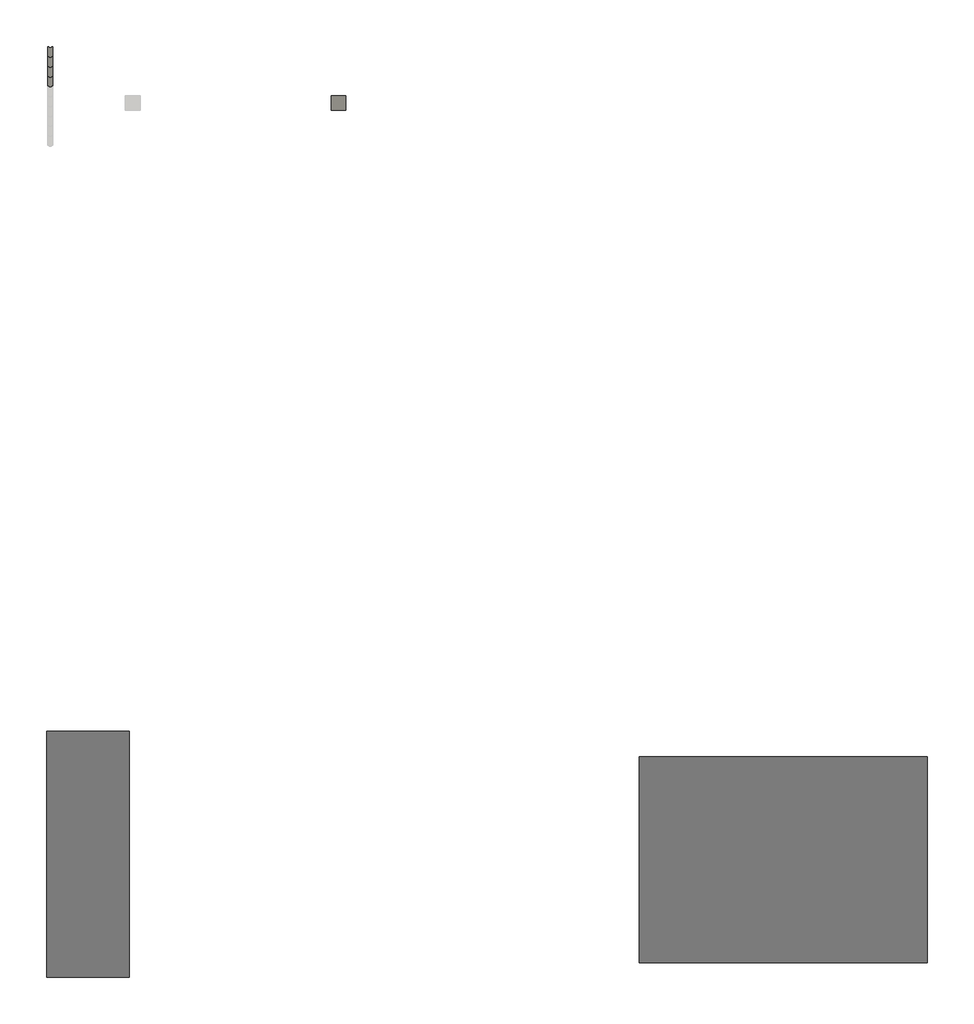
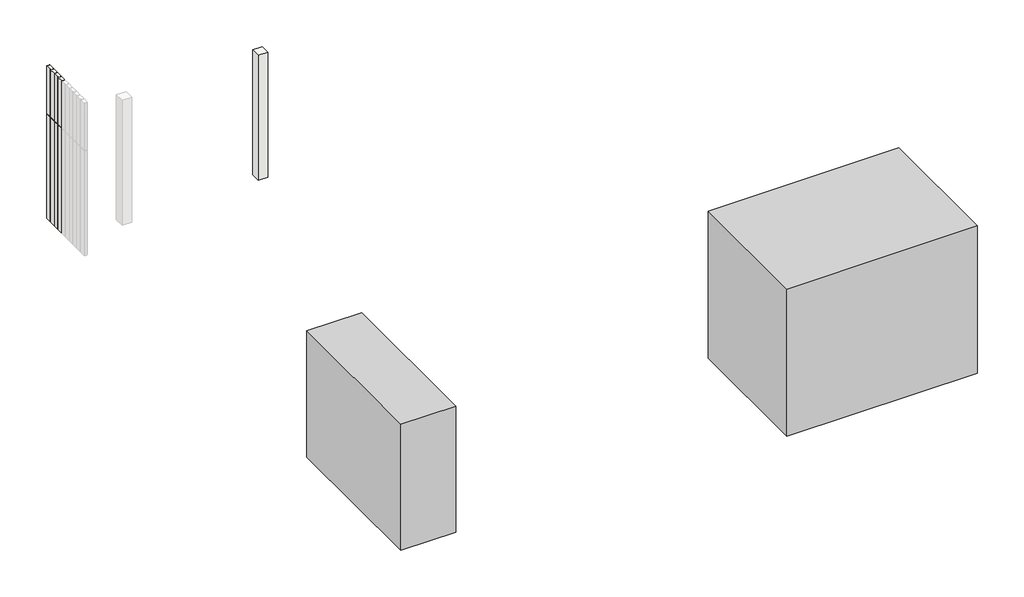
# One storey, part 3 of 3: 5 slabs, 2 proxies.
"""IFC4 building model written with IfcOpenShell, lengths in millimetres."""

from ifc_helpers import new_model, si_unit, frame, origin, place, context, project, spatial, polyline, outline, extrude, faceted_brep, element, save

model = new_model("IFC4")

# Units and contexts
model_context = context("Model", 3, world=origin())
ifc_project = project(units=[si_unit("LENGTHUNIT", "METRE", prefix="MILLI")], contexts=[model_context])

# Site, building, storey
site = spatial("IfcSite", under=ifc_project)
building = spatial("IfcBuilding", under=site)
storey = spatial("IfcBuildingStorey", under=building, Elevation=-3000.0)

# Proxies
placement = place(None, origin())
element("IfcBuildingElementProxy", 1, Name="Mass", at=placement, inside=storey, context=model_context, shape_type="SweptSolid", body=[
    extrude(outline(polyline([(9709.5811125, 46973.6742699), (11118.9553084, 46973.6742699), (11118.9553084, 42786.0133804), (9709.5811125, 42786.0133804), (9709.5811125, 46973.6742699)])), frame((0.0, 0.0, -3430.3316393), z_axis=(0.0, 0.0, 1.0), x_axis=(1.0, 0.0, 0.0)), (0.0, 0.0, 1.0), 3430.3316393),
])
element("IfcBuildingElementProxy", 2, Name="Mass", at=placement, inside=storey, context=model_context, shape_type="SweptSolid", body=[
    extrude(outline(polyline([(24685.7828295, 43036.709169), (19785.3624101, 43036.709169), (19785.3624101, 46536.709169), (24685.7828295, 46536.709169), (24685.7828295, 43036.709169)])), frame((0.0, 0.0, -4000.0), z_axis=(0.0, 0.0, 1.0), x_axis=(1.0, 0.0, 0.0)), (0.0, 0.0, 1.0), 4000.0),
])

# Slabs
element("IfcSlab", 3, at=placement, inside=storey, context=model_context, shape_type="Brep", body=[
    faceted_brep([(9811.574392, 58450.1979602, 145.0), (9811.5748646, 58617.1979602, 145.0), (9796.5748646, 58617.1980027, 145.0), (9791.2158242, 58597.1980178, 145.0), (9751.9337919, 58597.198129, 145.0), (9746.5748646, 58617.1981442, 145.0), (9731.5748646, 58617.1981866, 145.0), (9731.574392, 58450.1981866, 145.0), (9747.574392, 58450.1981413, 145.0), (9753.0774933, 58432.1981258, 145.0), (9790.0711888, 58432.1980211, 145.0), (9795.574392, 58450.1980055, 145.0), (9795.574392, 58450.1980055, -1140.9159706), (9811.574392, 58450.1979602, -1140.9159706), (9790.0711888, 58432.1980211, -1142.0678249), (9791.3187682, 58436.2786281, -1135.0), (9793.0839214, 58442.0521258, -1145.0), (9794.6896036, 58447.3040224, -1135.9034405), (9753.0774933, 58432.1981258, -1142.0678249), (9747.574392, 58450.1981413, -1140.9159706), (9748.459164, 58447.3041532, -1135.9034405), (9750.0648164, 58442.0522476, -1145.0), (9751.829937, 58436.2787399, -1135.0), (9731.574392, 58450.1981866, -1140.9159706), (9731.5748646, 58617.1981866, -1136.2177826), (9731.5748503, 58612.1277711, -1145.0), (9731.5748339, 58606.3542684, -1135.0), (9731.5748176, 58600.5807657, -1145.0), (9731.5748012, 58594.807263, -1135.0), (9731.5747849, 58589.0337603, -1145.0), (9731.57477, 58583.7818592, -1135.9034405), (9731.5747552, 58578.5299581, -1145.0), (9731.5747388, 58572.7564554, -1135.0), (9731.5747225, 58566.9829527, -1145.0), (9731.5747062, 58561.20945, -1135.0), (9731.5746898, 58555.4359473, -1145.0), (9731.5746735, 58549.6624447, -1135.0), (9731.5746571, 58543.888942, -1145.0), (9731.5746408, 58538.1154393, -1135.0), (9731.5746245, 58532.3419366, -1145.0), (9731.5746081, 58526.5684339, -1135.0), (9731.5745918, 58520.7949312, -1145.0), (9731.5745769, 58515.5430301, -1135.9034405), (9731.5745621, 58510.291129, -1145.0), (9731.5745457, 58504.5176263, -1135.0), (9731.5745294, 58498.7441236, -1145.0), (9731.574513, 58492.9706209, -1135.0), (9731.5744967, 58487.1971182, -1145.0), (9731.5744804, 58481.4236156, -1135.0), (9731.574464, 58475.6501129, -1145.0), (9731.5744477, 58469.8766102, -1135.0), (9731.5744313, 58464.1031075, -1145.0), (9731.574415, 58458.3296048, -1135.0), (9731.5743987, 58452.5561021, -1145.0), (9746.5748646, 58617.1981442, -1136.2177826), (9751.9337919, 58597.198129, -1139.1412012), (9751.0274421, 58600.5807106, -1145.0), (9749.4804531, 58606.3542177, -1135.0), (9747.933464, 58612.1277248, -1145.0), (9791.2158242, 58597.1980178, -1139.1412012), (9796.5748646, 58617.1980027, -1136.2177826), (9795.2162365, 58612.127591, -1145.0), (9793.6692148, 58606.3540926, -1135.0), (9792.1221931, 58600.5805943, -1145.0), (9811.5748646, 58617.1979602, -1136.2177826), (9811.5743987, 58452.5558757, -1145.0), (9811.574415, 58458.3293784, -1135.0), (9811.5744313, 58464.1028811, -1145.0), (9811.5744477, 58469.8763838, -1135.0), (9811.574464, 58475.6498865, -1145.0), (9811.5744804, 58481.4233892, -1135.0), (9811.5744967, 58487.1968918, -1145.0), (9811.574513, 58492.9703945, -1135.0), (9811.5745294, 58498.7438972, -1145.0), (9811.5745457, 58504.5173999, -1135.0), (9811.5745621, 58510.2909026, -1145.0), (9811.5745769, 58515.5428037, -1135.9034405), (9811.5745918, 58520.7947048, -1145.0), (9811.5746081, 58526.5682075, -1135.0), (9811.5746245, 58532.3417102, -1145.0), (9811.5746408, 58538.1152129, -1135.0), (9811.5746571, 58543.8887156, -1145.0), (9811.5746735, 58549.6622183, -1135.0), (9811.5746898, 58555.4357209, -1145.0), (9811.5747062, 58561.2092236, -1135.0), (9811.5747225, 58566.9827263, -1145.0), (9811.5747388, 58572.756229, -1135.0), (9811.5747552, 58578.5297317, -1145.0), (9811.57477, 58583.7816328, -1135.9034405), (9811.5747849, 58589.0335339, -1145.0), (9811.5748012, 58594.8070366, -1135.0), (9811.5748176, 58600.5805393, -1145.0), (9811.5748339, 58606.354042, -1135.0), (9811.5748503, 58612.1275447, -1145.0)], [[[0, 1, 2, 3, 4, 5, 6, 7, 8, 9, 10, 11]], [[11, 12, 13, 0]], [[10, 14, 15, 16, 17, 12, 11]], [[9, 18, 14, 10]], [[8, 19, 20, 21, 22, 18, 9]], [[7, 23, 19, 8]], [[6, 24, 25, 26, 27, 28, 29, 30, 31, 32, 33, 34, 35, 36, 37, 38, 39, 40, 41, 42, 43, 44, 45, 46, 47, 48, 49, 50, 51, 52, 53, 23, 7]], [[5, 54, 24, 6]], [[4, 55, 56, 57, 58, 54, 5]], [[3, 59, 55, 4]], [[2, 60, 61, 62, 63, 59, 3]], [[1, 64, 60, 2]], [[0, 13, 65, 66, 67, 68, 69, 70, 71, 72, 73, 74, 75, 76, 77, 78, 79, 80, 81, 82, 83, 84, 85, 86, 87, 88, 89, 90, 91, 92, 93, 64, 1]], [[89, 88, 30, 29]], [[29, 28, 90, 89]], [[28, 27, 56, 55, 59, 63, 91, 90]], [[27, 26, 57, 56]], [[63, 62, 92, 91]], [[26, 25, 58, 57]], [[62, 61, 93, 92]], [[25, 24, 54, 58]], [[61, 60, 64, 93]], [[15, 14, 18, 22]], [[22, 21, 16, 15]], [[21, 20, 17, 16]], [[65, 13, 12, 17, 20, 19, 23, 53]], [[53, 52, 66, 65]], [[52, 51, 67, 66]], [[51, 50, 68, 67]], [[50, 49, 69, 68]], [[49, 48, 70, 69]], [[48, 47, 71, 70]], [[47, 46, 72, 71]], [[46, 45, 73, 72]], [[45, 44, 74, 73]], [[44, 43, 75, 74]], [[43, 42, 76, 75]], [[42, 41, 77, 76]], [[41, 40, 78, 77]], [[40, 39, 79, 78]], [[39, 38, 80, 79]], [[38, 37, 81, 80]], [[37, 36, 82, 81]], [[36, 35, 83, 82]], [[35, 34, 84, 83]], [[34, 33, 85, 84]], [[33, 32, 86, 85]], [[32, 31, 87, 86]], [[88, 87, 31, 30]]]),
    faceted_brep([(9811.574392, 58450.1979602, -4000.0), (9795.574392, 58450.1980055, -4000.0), (9790.0711888, 58432.1980211, -4000.0), (9753.0774933, 58432.1981258, -4000.0), (9747.574392, 58450.1981413, -4000.0), (9731.574392, 58450.1981866, -4000.0), (9731.5748646, 58617.1981866, -4000.0), (9746.5748646, 58617.1981442, -4000.0), (9751.9337919, 58597.198129, -4000.0), (9791.2158242, 58597.1980178, -4000.0), (9796.5748646, 58617.1980027, -4000.0), (9811.5748646, 58617.1979602, -4000.0), (9811.5748646, 58617.1979602, -1135.0), (9811.574392, 58450.1979602, -1135.0), (9796.5748646, 58617.1980027, -1135.0), (9791.2158242, 58597.1980178, -1135.0), (9751.9337919, 58597.198129, -1135.0), (9756.574808, 58597.1981159, -1135.0), (9756.574808, 58597.1981159, -1139.1412012), (9786.574808, 58597.198031, -1139.1412012), (9786.574808, 58597.198031, -1135.0), (9746.5748646, 58617.1981442, -1135.0), (9731.5748646, 58617.1981866, -1135.0), (9731.574392, 58450.1981866, -1135.0), (9747.574392, 58450.1981413, -1135.0), (9753.0774933, 58432.1981258, -1135.0), (9790.0711888, 58432.1980211, -1135.0), (9786.5743411, 58432.198031, -1135.0), (9786.5743411, 58432.198031, -1142.0678249), (9756.5743411, 58432.1981159, -1142.0678249), (9756.5743411, 58432.1981159, -1135.0), (9795.574392, 58450.1980055, -1135.0), (9786.5747849, 58589.0336046, -1145.0), (9756.5747849, 58589.0336896, -1145.0), (9756.57477, 58583.7817885, -1135.9034405), (9786.57477, 58583.7817036, -1135.9034405), (9786.5748012, 58594.8071073, -1135.0), (9756.5748012, 58594.8071922, -1135.0), (9756.5743526, 58436.2787265, -1135.0), (9786.5743526, 58436.2786416, -1135.0), (9786.5743689, 58442.0521443, -1145.0), (9756.5743689, 58442.0522292, -1145.0), (9786.5743838, 58447.3040453, -1135.9034405), (9756.5743838, 58447.3041302, -1135.9034405), (9786.5743987, 58452.5559464, -1145.0), (9756.5743987, 58452.5560313, -1145.0), (9786.574415, 58458.3294491, -1135.0), (9756.574415, 58458.329534, -1135.0), (9786.5744313, 58464.1029518, -1145.0), (9756.5744313, 58464.1030367, -1145.0), (9786.5744477, 58469.8764545, -1135.0), (9756.5744477, 58469.8765394, -1135.0), (9786.574464, 58475.6499572, -1145.0), (9756.574464, 58475.6500421, -1145.0), (9786.5744804, 58481.4234599, -1135.0), (9756.5744804, 58481.4235448, -1135.0), (9786.5744967, 58487.1969626, -1145.0), (9756.5744967, 58487.1970475, -1145.0), (9786.574513, 58492.9704653, -1135.0), (9756.574513, 58492.9705502, -1135.0), (9786.5745294, 58498.743968, -1145.0), (9756.5745294, 58498.7440529, -1145.0), (9786.5745457, 58504.5174707, -1135.0), (9756.5745457, 58504.5175556, -1135.0), (9786.5745621, 58510.2909734, -1145.0), (9756.5745621, 58510.2910583, -1145.0), (9786.5745769, 58515.5428745, -1135.9034405), (9756.5745769, 58515.5429594, -1135.9034405), (9786.5745918, 58520.7947755, -1145.0), (9756.5745918, 58520.7948604, -1145.0), (9786.5746081, 58526.5682782, -1135.0), (9756.5746081, 58526.5683631, -1135.0), (9786.5746245, 58532.3417809, -1145.0), (9756.5746245, 58532.3418658, -1145.0), (9786.5746408, 58538.1152836, -1135.0), (9756.5746408, 58538.1153685, -1135.0), (9786.5746571, 58543.8887863, -1145.0), (9756.5746571, 58543.8888712, -1145.0), (9786.5746735, 58549.662289, -1135.0), (9756.5746735, 58549.6623739, -1135.0), (9786.5746898, 58555.4357917, -1145.0), (9756.5746898, 58555.4358766, -1145.0), (9786.5747062, 58561.2092944, -1135.0), (9756.5747062, 58561.2093793, -1135.0), (9786.5747225, 58566.9827971, -1145.0), (9756.5747225, 58566.982882, -1145.0), (9786.5747388, 58572.7562998, -1135.0), (9756.5747388, 58572.7563847, -1135.0), (9786.5747552, 58578.5298025, -1145.0), (9756.5747552, 58578.5298874, -1145.0)], [[[0, 1, 2, 3, 4, 5, 6, 7, 8, 9, 10, 11]], [[11, 12, 13, 0]], [[10, 14, 12, 11]], [[9, 15, 14, 10]], [[8, 16, 17, 18, 19, 20, 15, 9]], [[7, 21, 16, 8]], [[6, 22, 21, 7]], [[5, 23, 22, 6]], [[4, 24, 23, 5]], [[3, 25, 24, 4]], [[2, 26, 27, 28, 29, 30, 25, 3]], [[1, 31, 26, 2]], [[0, 13, 31, 1]], [[32, 33, 34, 35]], [[36, 37, 33, 32]], [[36, 19, 18, 37]], [[38, 29, 28, 39]], [[40, 41, 38, 39]], [[42, 43, 41, 40]], [[44, 45, 43, 42]], [[46, 47, 45, 44]], [[48, 49, 47, 46]], [[50, 51, 49, 48]], [[52, 53, 51, 50]], [[54, 55, 53, 52]], [[56, 57, 55, 54]], [[58, 59, 57, 56]], [[60, 61, 59, 58]], [[62, 63, 61, 60]], [[64, 65, 63, 62]], [[66, 67, 65, 64]], [[68, 69, 67, 66]], [[70, 71, 69, 68]], [[72, 73, 71, 70]], [[74, 75, 73, 72]], [[76, 77, 75, 74]], [[78, 79, 77, 76]], [[80, 81, 79, 78]], [[82, 83, 81, 80]], [[84, 85, 83, 82]], [[86, 87, 85, 84]], [[88, 89, 87, 86]], [[35, 34, 89, 88]], [[47, 38, 41, 43, 45]], [[51, 47, 49]], [[55, 51, 53]], [[59, 55, 57]], [[37, 87, 89, 34, 33]], [[63, 59, 61]], [[87, 83, 85]], [[71, 63, 65, 67, 69]], [[83, 79, 81]], [[79, 75, 77]], [[38, 30, 29]], [[75, 71, 73]], [[18, 17, 37]], [[25, 30, 38, 47, 51, 55, 59, 63, 71, 75, 79, 83, 87, 37, 17, 16, 21, 22, 23, 24]], [[13, 12, 14, 15, 20, 36, 86, 82, 78, 74, 70, 62, 58, 54, 50, 46, 39, 27, 26, 31]], [[86, 36, 32, 35, 88]], [[74, 78, 76]], [[82, 86, 84]], [[78, 82, 80]], [[70, 74, 72]], [[62, 70, 68, 66, 64]], [[58, 62, 60]], [[54, 58, 56]], [[50, 54, 52]], [[46, 50, 48]], [[39, 46, 44, 42, 40]], [[28, 27, 39]], [[36, 20, 19]]]),
])
element("IfcSlab", 4, at=placement, inside=storey, context=model_context, shape_type="Brep", body=[
    faceted_brep([(9811.5739166, 58282.1979602, 145.0), (9811.5743892, 58449.1979602, 145.0), (9796.5743892, 58449.1980027, 145.0), (9791.2153487, 58429.1980178, 145.0), (9751.9333164, 58429.198129, 145.0), (9746.5743892, 58449.1981442, 145.0), (9731.5743892, 58449.1981866, 145.0), (9731.5739166, 58282.1981866, 145.0), (9747.5739166, 58282.1981413, 145.0), (9753.0770179, 58264.1981258, 145.0), (9790.0707133, 58264.1980211, 145.0), (9795.5739166, 58282.1980055, 145.0), (9795.5739166, 58282.1980055, -1140.9159706), (9811.5739166, 58282.1979602, -1140.9159706), (9790.0707133, 58264.1980211, -1142.0678249), (9791.3182928, 58268.2786281, -1135.0), (9793.083446, 58274.0521258, -1145.0), (9794.6891282, 58279.3040224, -1135.9034405), (9753.0770179, 58264.1981258, -1142.0678249), (9747.5739166, 58282.1981413, -1140.9159706), (9748.4586886, 58279.3041532, -1135.9034405), (9750.064341, 58274.0522476, -1145.0), (9751.8294616, 58268.2787399, -1135.0), (9731.5739166, 58282.1981866, -1140.9159706), (9731.5743892, 58449.1981866, -1136.2177826), (9731.5743748, 58444.1277711, -1145.0), (9731.5743585, 58438.3542684, -1135.0), (9731.5743421, 58432.5807657, -1145.0), (9731.5743258, 58426.807263, -1135.0), (9731.5743095, 58421.0337603, -1145.0), (9731.5742946, 58415.7818592, -1135.9034405), (9731.5742797, 58410.5299581, -1145.0), (9731.5742634, 58404.7564554, -1135.0), (9731.5742471, 58398.9829527, -1145.0), (9731.5742307, 58393.20945, -1135.0), (9731.5742144, 58387.4359473, -1145.0), (9731.574198, 58381.6624447, -1135.0), (9731.5741817, 58375.888942, -1145.0), (9731.5741654, 58370.1154393, -1135.0), (9731.574149, 58364.3419366, -1145.0), (9731.5741327, 58358.5684339, -1135.0), (9731.5741163, 58352.7949312, -1145.0), (9731.5741015, 58347.5430301, -1135.9034405), (9731.5740866, 58342.291129, -1145.0), (9731.5740703, 58336.5176263, -1135.0), (9731.5740539, 58330.7441236, -1145.0), (9731.5740376, 58324.9706209, -1135.0), (9731.5740213, 58319.1971182, -1145.0), (9731.5740049, 58313.4236156, -1135.0), (9731.5739886, 58307.6501129, -1145.0), (9731.5739722, 58301.8766102, -1135.0), (9731.5739559, 58296.1031075, -1145.0), (9731.5739396, 58290.3296048, -1135.0), (9731.5739232, 58284.5561021, -1145.0), (9746.5743892, 58449.1981442, -1136.2177826), (9751.9333164, 58429.198129, -1139.1412012), (9751.0269667, 58432.5807106, -1145.0), (9749.4799776, 58438.3542177, -1135.0), (9747.9329886, 58444.1277248, -1145.0), (9791.2153487, 58429.1980178, -1139.1412012), (9796.5743892, 58449.1980027, -1136.2177826), (9795.2157611, 58444.127591, -1145.0), (9793.6687393, 58438.3540926, -1135.0), (9792.1217176, 58432.5805943, -1145.0), (9811.5743892, 58449.1979602, -1136.2177826), (9811.5739232, 58284.5558757, -1145.0), (9811.5739396, 58290.3293784, -1135.0), (9811.5739559, 58296.1028811, -1145.0), (9811.5739722, 58301.8763838, -1135.0), (9811.5739886, 58307.6498865, -1145.0), (9811.5740049, 58313.4233892, -1135.0), (9811.5740213, 58319.1968918, -1145.0), (9811.5740376, 58324.9703945, -1135.0), (9811.5740539, 58330.7438972, -1145.0), (9811.5740703, 58336.5173999, -1135.0), (9811.5740866, 58342.2909026, -1145.0), (9811.5741015, 58347.5428037, -1135.9034405), (9811.5741163, 58352.7947048, -1145.0), (9811.5741327, 58358.5682075, -1135.0), (9811.574149, 58364.3417102, -1145.0), (9811.5741654, 58370.1152129, -1135.0), (9811.5741817, 58375.8887156, -1145.0), (9811.574198, 58381.6622183, -1135.0), (9811.5742144, 58387.4357209, -1145.0), (9811.5742307, 58393.2092236, -1135.0), (9811.5742471, 58398.9827263, -1145.0), (9811.5742634, 58404.756229, -1135.0), (9811.5742797, 58410.5297317, -1145.0), (9811.5742946, 58415.7816328, -1135.9034405), (9811.5743095, 58421.0335339, -1145.0), (9811.5743258, 58426.8070366, -1135.0), (9811.5743421, 58432.5805393, -1145.0), (9811.5743585, 58438.354042, -1135.0), (9811.5743748, 58444.1275447, -1145.0)], [[[0, 1, 2, 3, 4, 5, 6, 7, 8, 9, 10, 11]], [[11, 12, 13, 0]], [[10, 14, 15, 16, 17, 12, 11]], [[9, 18, 14, 10]], [[8, 19, 20, 21, 22, 18, 9]], [[7, 23, 19, 8]], [[6, 24, 25, 26, 27, 28, 29, 30, 31, 32, 33, 34, 35, 36, 37, 38, 39, 40, 41, 42, 43, 44, 45, 46, 47, 48, 49, 50, 51, 52, 53, 23, 7]], [[5, 54, 24, 6]], [[4, 55, 56, 57, 58, 54, 5]], [[3, 59, 55, 4]], [[2, 60, 61, 62, 63, 59, 3]], [[1, 64, 60, 2]], [[0, 13, 65, 66, 67, 68, 69, 70, 71, 72, 73, 74, 75, 76, 77, 78, 79, 80, 81, 82, 83, 84, 85, 86, 87, 88, 89, 90, 91, 92, 93, 64, 1]], [[89, 88, 30, 29]], [[29, 28, 90, 89]], [[28, 27, 56, 55, 59, 63, 91, 90]], [[27, 26, 57, 56]], [[63, 62, 92, 91]], [[26, 25, 58, 57]], [[62, 61, 93, 92]], [[25, 24, 54, 58]], [[61, 60, 64, 93]], [[15, 14, 18, 22]], [[22, 21, 16, 15]], [[21, 20, 17, 16]], [[65, 13, 12, 17, 20, 19, 23, 53]], [[53, 52, 66, 65]], [[52, 51, 67, 66]], [[51, 50, 68, 67]], [[50, 49, 69, 68]], [[49, 48, 70, 69]], [[48, 47, 71, 70]], [[47, 46, 72, 71]], [[46, 45, 73, 72]], [[45, 44, 74, 73]], [[44, 43, 75, 74]], [[43, 42, 76, 75]], [[42, 41, 77, 76]], [[41, 40, 78, 77]], [[40, 39, 79, 78]], [[39, 38, 80, 79]], [[38, 37, 81, 80]], [[37, 36, 82, 81]], [[36, 35, 83, 82]], [[35, 34, 84, 83]], [[34, 33, 85, 84]], [[33, 32, 86, 85]], [[32, 31, 87, 86]], [[88, 87, 31, 30]]]),
    faceted_brep([(9811.5739166, 58282.1979602, -4000.0), (9795.5739166, 58282.1980055, -4000.0), (9790.0707133, 58264.1980211, -4000.0), (9753.0770179, 58264.1981258, -4000.0), (9747.5739166, 58282.1981413, -4000.0), (9731.5739166, 58282.1981866, -4000.0), (9731.5743892, 58449.1981866, -4000.0), (9746.5743892, 58449.1981442, -4000.0), (9751.9333164, 58429.198129, -4000.0), (9791.2153487, 58429.1980178, -4000.0), (9796.5743892, 58449.1980027, -4000.0), (9811.5743892, 58449.1979602, -4000.0), (9811.5743892, 58449.1979602, -1135.0), (9811.5739166, 58282.1979602, -1135.0), (9796.5743892, 58449.1980027, -1135.0), (9791.2153487, 58429.1980178, -1135.0), (9751.9333164, 58429.198129, -1135.0), (9756.5743326, 58429.1981159, -1135.0), (9756.5743326, 58429.1981159, -1139.1412012), (9786.5743326, 58429.198031, -1139.1412012), (9786.5743326, 58429.198031, -1135.0), (9746.5743892, 58449.1981442, -1135.0), (9731.5743892, 58449.1981866, -1135.0), (9731.5739166, 58282.1981866, -1135.0), (9747.5739166, 58282.1981413, -1135.0), (9753.0770179, 58264.1981258, -1135.0), (9790.0707133, 58264.1980211, -1135.0), (9786.5738656, 58264.198031, -1135.0), (9786.5738656, 58264.198031, -1142.0678249), (9756.5738656, 58264.1981159, -1142.0678249), (9756.5738656, 58264.1981159, -1135.0), (9795.5739166, 58282.1980055, -1135.0), (9786.5743095, 58421.0336047, -1145.0), (9756.5743095, 58421.0336896, -1145.0), (9756.5742946, 58415.7817885, -1135.9034405), (9786.5742946, 58415.7817036, -1135.9034405), (9786.5743258, 58426.8071073, -1135.0), (9756.5743258, 58426.8071922, -1135.0), (9756.5738772, 58268.2787265, -1135.0), (9786.5738772, 58268.2786416, -1135.0), (9786.5738935, 58274.0521443, -1145.0), (9756.5738935, 58274.0522292, -1145.0), (9786.5739084, 58279.3040454, -1135.9034405), (9756.5739084, 58279.3041303, -1135.9034405), (9786.5739232, 58284.5559464, -1145.0), (9756.5739232, 58284.5560313, -1145.0), (9786.5739396, 58290.3294491, -1135.0), (9756.5739396, 58290.329534, -1135.0), (9786.5739559, 58296.1029518, -1145.0), (9756.5739559, 58296.1030367, -1145.0), (9786.5739722, 58301.8764545, -1135.0), (9756.5739722, 58301.8765394, -1135.0), (9786.5739886, 58307.6499572, -1145.0), (9756.5739886, 58307.6500421, -1145.0), (9786.5740049, 58313.4234599, -1135.0), (9756.5740049, 58313.4235448, -1135.0), (9786.5740213, 58319.1969626, -1145.0), (9756.5740213, 58319.1970475, -1145.0), (9786.5740376, 58324.9704653, -1135.0), (9756.5740376, 58324.9705502, -1135.0), (9786.5740539, 58330.743968, -1145.0), (9756.5740539, 58330.7440529, -1145.0), (9786.5740703, 58336.5174707, -1135.0), (9756.5740703, 58336.5175556, -1135.0), (9786.5740866, 58342.2909734, -1145.0), (9756.5740866, 58342.2910583, -1145.0), (9786.5741015, 58347.5428745, -1135.9034405), (9756.5741015, 58347.5429594, -1135.9034405), (9786.5741163, 58352.7947755, -1145.0), (9756.5741163, 58352.7948604, -1145.0), (9786.5741327, 58358.5682782, -1135.0), (9756.5741327, 58358.5683631, -1135.0), (9786.574149, 58364.3417809, -1145.0), (9756.574149, 58364.3418658, -1145.0), (9786.5741654, 58370.1152836, -1135.0), (9756.5741654, 58370.1153685, -1135.0), (9786.5741817, 58375.8887863, -1145.0), (9756.5741817, 58375.8888712, -1145.0), (9786.574198, 58381.662289, -1135.0), (9756.574198, 58381.6623739, -1135.0), (9786.5742144, 58387.4357917, -1145.0), (9756.5742144, 58387.4358766, -1145.0), (9786.5742307, 58393.2092944, -1135.0), (9756.5742307, 58393.2093793, -1135.0), (9786.5742471, 58398.9827971, -1145.0), (9756.5742471, 58398.982882, -1145.0), (9786.5742634, 58404.7562998, -1135.0), (9756.5742634, 58404.7563847, -1135.0), (9786.5742797, 58410.5298025, -1145.0), (9756.5742797, 58410.5298874, -1145.0)], [[[0, 1, 2, 3, 4, 5, 6, 7, 8, 9, 10, 11]], [[11, 12, 13, 0]], [[10, 14, 12, 11]], [[9, 15, 14, 10]], [[8, 16, 17, 18, 19, 20, 15, 9]], [[7, 21, 16, 8]], [[6, 22, 21, 7]], [[5, 23, 22, 6]], [[4, 24, 23, 5]], [[3, 25, 24, 4]], [[2, 26, 27, 28, 29, 30, 25, 3]], [[1, 31, 26, 2]], [[0, 13, 31, 1]], [[32, 33, 34, 35]], [[36, 37, 33, 32]], [[36, 19, 18, 37]], [[38, 29, 28, 39]], [[40, 41, 38, 39]], [[42, 43, 41, 40]], [[44, 45, 43, 42]], [[46, 47, 45, 44]], [[48, 49, 47, 46]], [[50, 51, 49, 48]], [[52, 53, 51, 50]], [[54, 55, 53, 52]], [[56, 57, 55, 54]], [[58, 59, 57, 56]], [[60, 61, 59, 58]], [[62, 63, 61, 60]], [[64, 65, 63, 62]], [[66, 67, 65, 64]], [[68, 69, 67, 66]], [[70, 71, 69, 68]], [[72, 73, 71, 70]], [[74, 75, 73, 72]], [[76, 77, 75, 74]], [[78, 79, 77, 76]], [[80, 81, 79, 78]], [[82, 83, 81, 80]], [[84, 85, 83, 82]], [[86, 87, 85, 84]], [[88, 89, 87, 86]], [[35, 34, 89, 88]], [[47, 38, 41, 43, 45]], [[51, 47, 49]], [[55, 51, 53]], [[59, 55, 57]], [[37, 87, 89, 34, 33]], [[63, 59, 61]], [[87, 83, 85]], [[71, 63, 65, 67, 69]], [[83, 79, 81]], [[79, 75, 77]], [[38, 30, 29]], [[75, 71, 73]], [[18, 17, 37]], [[25, 30, 38, 47, 51, 55, 59, 63, 71, 75, 79, 83, 87, 37, 17, 16, 21, 22, 23, 24]], [[13, 12, 14, 15, 20, 36, 86, 82, 78, 74, 70, 62, 58, 54, 50, 46, 39, 27, 26, 31]], [[86, 36, 32, 35, 88]], [[74, 78, 76]], [[82, 86, 84]], [[78, 82, 80]], [[70, 74, 72]], [[62, 70, 68, 66, 64]], [[58, 62, 60]], [[54, 58, 56]], [[50, 54, 52]], [[46, 50, 48]], [[39, 46, 44, 42, 40]], [[28, 27, 39]], [[36, 20, 19]]]),
])
element("IfcSlab", 5, at=placement, inside=storey, context=model_context, shape_type="Brep", body=[
    faceted_brep([(9811.5734411, 58114.1979602, 145.0), (9811.5739137, 58281.1979602, 145.0), (9796.5739137, 58281.1980027, 145.0), (9791.2148733, 58261.1980178, 145.0), (9751.932841, 58261.198129, 145.0), (9746.5739137, 58281.1981442, 145.0), (9731.5739137, 58281.1981866, 145.0), (9731.5734411, 58114.1981866, 145.0), (9747.5734411, 58114.1981413, 145.0), (9753.0765424, 58096.1981258, 145.0), (9790.0702379, 58096.1980211, 145.0), (9795.5734411, 58114.1980055, 145.0), (9795.5734411, 58114.1980055, -1140.9159706), (9811.5734411, 58114.1979602, -1140.9159706), (9790.0702379, 58096.1980211, -1142.0678249), (9791.3178173, 58100.2786281, -1135.0), (9793.0829706, 58106.0521258, -1145.0), (9794.6886527, 58111.3040224, -1135.9034405), (9753.0765424, 58096.1981258, -1142.0678249), (9747.5734411, 58114.1981413, -1140.9159706), (9748.4582131, 58111.3041532, -1135.9034405), (9750.0638656, 58106.0522476, -1145.0), (9751.8289861, 58100.2787399, -1135.0), (9731.5734411, 58114.1981866, -1140.9159706), (9731.5739137, 58281.1981866, -1136.2177826), (9731.5738994, 58276.1277711, -1145.0), (9731.573883, 58270.3542684, -1135.0), (9731.5738667, 58264.5807657, -1145.0), (9731.5738504, 58258.807263, -1135.0), (9731.573834, 58253.0337603, -1145.0), (9731.5738192, 58247.7818592, -1135.9034405), (9731.5738043, 58242.5299581, -1145.0), (9731.573788, 58236.7564554, -1135.0), (9731.5737716, 58230.9829527, -1145.0), (9731.5737553, 58225.20945, -1135.0), (9731.5737389, 58219.4359473, -1145.0), (9731.5737226, 58213.6624447, -1135.0), (9731.5737063, 58207.888942, -1145.0), (9731.5736899, 58202.1154393, -1135.0), (9731.5736736, 58196.3419366, -1145.0), (9731.5736572, 58190.5684339, -1135.0), (9731.5736409, 58184.7949312, -1145.0), (9731.573626, 58179.5430301, -1135.9034405), (9731.5736112, 58174.291129, -1145.0), (9731.5735948, 58168.5176263, -1135.0), (9731.5735785, 58162.7441236, -1145.0), (9731.5735622, 58156.9706209, -1135.0), (9731.5735458, 58151.1971182, -1145.0), (9731.5735295, 58145.4236156, -1135.0), (9731.5735131, 58139.6501129, -1145.0), (9731.5734968, 58133.8766102, -1135.0), (9731.5734805, 58128.1031075, -1145.0), (9731.5734641, 58122.3296048, -1135.0), (9731.5734478, 58116.5561021, -1145.0), (9746.5739137, 58281.1981442, -1136.2177826), (9751.932841, 58261.198129, -1139.1412012), (9751.0264912, 58264.5807106, -1145.0), (9749.4795022, 58270.3542177, -1135.0), (9747.9325131, 58276.1277248, -1145.0), (9791.2148733, 58261.1980178, -1139.1412012), (9796.5739137, 58281.1980027, -1136.2177826), (9795.2152856, 58276.127591, -1145.0), (9793.6682639, 58270.3540926, -1135.0), (9792.1212422, 58264.5805943, -1145.0), (9811.5739137, 58281.1979602, -1136.2177826), (9811.5734478, 58116.5558757, -1145.0), (9811.5734641, 58122.3293784, -1135.0), (9811.5734805, 58128.1028811, -1145.0), (9811.5734968, 58133.8763838, -1135.0), (9811.5735131, 58139.6498865, -1145.0), (9811.5735295, 58145.4233892, -1135.0), (9811.5735458, 58151.1968918, -1145.0), (9811.5735622, 58156.9703945, -1135.0), (9811.5735785, 58162.7438972, -1145.0), (9811.5735948, 58168.5173999, -1135.0), (9811.5736112, 58174.2909026, -1145.0), (9811.573626, 58179.5428037, -1135.9034405), (9811.5736409, 58184.7947048, -1145.0), (9811.5736572, 58190.5682075, -1135.0), (9811.5736736, 58196.3417102, -1145.0), (9811.5736899, 58202.1152129, -1135.0), (9811.5737063, 58207.8887156, -1145.0), (9811.5737226, 58213.6622183, -1135.0), (9811.5737389, 58219.4357209, -1145.0), (9811.5737553, 58225.2092236, -1135.0), (9811.5737716, 58230.9827263, -1145.0), (9811.573788, 58236.756229, -1135.0), (9811.5738043, 58242.5297317, -1145.0), (9811.5738192, 58247.7816328, -1135.9034405), (9811.573834, 58253.0335339, -1145.0), (9811.5738504, 58258.8070366, -1135.0), (9811.5738667, 58264.5805393, -1145.0), (9811.573883, 58270.354042, -1135.0), (9811.5738994, 58276.1275447, -1145.0)], [[[0, 1, 2, 3, 4, 5, 6, 7, 8, 9, 10, 11]], [[11, 12, 13, 0]], [[10, 14, 15, 16, 17, 12, 11]], [[9, 18, 14, 10]], [[8, 19, 20, 21, 22, 18, 9]], [[7, 23, 19, 8]], [[6, 24, 25, 26, 27, 28, 29, 30, 31, 32, 33, 34, 35, 36, 37, 38, 39, 40, 41, 42, 43, 44, 45, 46, 47, 48, 49, 50, 51, 52, 53, 23, 7]], [[5, 54, 24, 6]], [[4, 55, 56, 57, 58, 54, 5]], [[3, 59, 55, 4]], [[2, 60, 61, 62, 63, 59, 3]], [[1, 64, 60, 2]], [[0, 13, 65, 66, 67, 68, 69, 70, 71, 72, 73, 74, 75, 76, 77, 78, 79, 80, 81, 82, 83, 84, 85, 86, 87, 88, 89, 90, 91, 92, 93, 64, 1]], [[89, 88, 30, 29]], [[29, 28, 90, 89]], [[28, 27, 56, 55, 59, 63, 91, 90]], [[27, 26, 57, 56]], [[63, 62, 92, 91]], [[26, 25, 58, 57]], [[62, 61, 93, 92]], [[25, 24, 54, 58]], [[61, 60, 64, 93]], [[15, 14, 18, 22]], [[22, 21, 16, 15]], [[21, 20, 17, 16]], [[65, 13, 12, 17, 20, 19, 23, 53]], [[53, 52, 66, 65]], [[52, 51, 67, 66]], [[51, 50, 68, 67]], [[50, 49, 69, 68]], [[49, 48, 70, 69]], [[48, 47, 71, 70]], [[47, 46, 72, 71]], [[46, 45, 73, 72]], [[45, 44, 74, 73]], [[44, 43, 75, 74]], [[43, 42, 76, 75]], [[42, 41, 77, 76]], [[41, 40, 78, 77]], [[40, 39, 79, 78]], [[39, 38, 80, 79]], [[38, 37, 81, 80]], [[37, 36, 82, 81]], [[36, 35, 83, 82]], [[35, 34, 84, 83]], [[34, 33, 85, 84]], [[33, 32, 86, 85]], [[32, 31, 87, 86]], [[88, 87, 31, 30]]]),
    faceted_brep([(9811.5734411, 58114.1979602, -4000.0), (9795.5734411, 58114.1980055, -4000.0), (9790.0702379, 58096.1980211, -4000.0), (9753.0765424, 58096.1981258, -4000.0), (9747.5734411, 58114.1981413, -4000.0), (9731.5734411, 58114.1981866, -4000.0), (9731.5739137, 58281.1981866, -4000.0), (9746.5739137, 58281.1981442, -4000.0), (9751.932841, 58261.198129, -4000.0), (9791.2148733, 58261.1980178, -4000.0), (9796.5739137, 58281.1980027, -4000.0), (9811.5739137, 58281.1979602, -4000.0), (9811.5739137, 58281.1979602, -1135.0), (9811.5734411, 58114.1979602, -1135.0), (9796.5739137, 58281.1980027, -1135.0), (9791.2148733, 58261.1980178, -1135.0), (9751.932841, 58261.198129, -1135.0), (9756.5738571, 58261.1981159, -1135.0), (9756.5738571, 58261.1981159, -1139.1412012), (9786.5738571, 58261.198031, -1139.1412012), (9786.5738571, 58261.198031, -1135.0), (9746.5739137, 58281.1981442, -1135.0), (9731.5739137, 58281.1981866, -1135.0), (9731.5734411, 58114.1981866, -1135.0), (9747.5734411, 58114.1981413, -1135.0), (9753.0765424, 58096.1981258, -1135.0), (9790.0702379, 58096.1980211, -1135.0), (9786.5733902, 58096.198031, -1135.0), (9786.5733902, 58096.198031, -1142.0678249), (9756.5733902, 58096.1981159, -1142.0678249), (9756.5733902, 58096.1981159, -1135.0), (9795.5734411, 58114.1980055, -1135.0), (9786.573834, 58253.0336047, -1145.0), (9756.573834, 58253.0336896, -1145.0), (9756.5738192, 58247.7817885, -1135.9034405), (9786.5738192, 58247.7817036, -1135.9034405), (9786.5738504, 58258.8071073, -1135.0), (9756.5738504, 58258.8071922, -1135.0), (9756.5734017, 58100.2787265, -1135.0), (9786.5734017, 58100.2786416, -1135.0), (9786.5734181, 58106.0521443, -1145.0), (9756.5734181, 58106.0522292, -1145.0), (9786.5734329, 58111.3040454, -1135.9034405), (9756.5734329, 58111.3041303, -1135.9034405), (9786.5734478, 58116.5559464, -1145.0), (9756.5734478, 58116.5560313, -1145.0), (9786.5734641, 58122.3294491, -1135.0), (9756.5734641, 58122.329534, -1135.0), (9786.5734805, 58128.1029518, -1145.0), (9756.5734805, 58128.1030367, -1145.0), (9786.5734968, 58133.8764545, -1135.0), (9756.5734968, 58133.8765394, -1135.0), (9786.5735131, 58139.6499572, -1145.0), (9756.5735131, 58139.6500421, -1145.0), (9786.5735295, 58145.4234599, -1135.0), (9756.5735295, 58145.4235448, -1135.0), (9786.5735458, 58151.1969626, -1145.0), (9756.5735458, 58151.1970475, -1145.0), (9786.5735622, 58156.9704653, -1135.0), (9756.5735622, 58156.9705502, -1135.0), (9786.5735785, 58162.743968, -1145.0), (9756.5735785, 58162.7440529, -1145.0), (9786.5735948, 58168.5174707, -1135.0), (9756.5735948, 58168.5175556, -1135.0), (9786.5736112, 58174.2909734, -1145.0), (9756.5736112, 58174.2910583, -1145.0), (9786.573626, 58179.5428745, -1135.9034405), (9756.573626, 58179.5429594, -1135.9034405), (9786.5736409, 58184.7947755, -1145.0), (9756.5736409, 58184.7948604, -1145.0), (9786.5736572, 58190.5682782, -1135.0), (9756.5736572, 58190.5683631, -1135.0), (9786.5736736, 58196.3417809, -1145.0), (9756.5736736, 58196.3418658, -1145.0), (9786.5736899, 58202.1152836, -1135.0), (9756.5736899, 58202.1153685, -1135.0), (9786.5737063, 58207.8887863, -1145.0), (9756.5737063, 58207.8888712, -1145.0), (9786.5737226, 58213.662289, -1135.0), (9756.5737226, 58213.6623739, -1135.0), (9786.5737389, 58219.4357917, -1145.0), (9756.5737389, 58219.4358766, -1145.0), (9786.5737553, 58225.2092944, -1135.0), (9756.5737553, 58225.2093793, -1135.0), (9786.5737716, 58230.9827971, -1145.0), (9756.5737716, 58230.982882, -1145.0), (9786.573788, 58236.7562998, -1135.0), (9756.573788, 58236.7563847, -1135.0), (9786.5738043, 58242.5298025, -1145.0), (9756.5738043, 58242.5298874, -1145.0)], [[[0, 1, 2, 3, 4, 5, 6, 7, 8, 9, 10, 11]], [[11, 12, 13, 0]], [[10, 14, 12, 11]], [[9, 15, 14, 10]], [[8, 16, 17, 18, 19, 20, 15, 9]], [[7, 21, 16, 8]], [[6, 22, 21, 7]], [[5, 23, 22, 6]], [[4, 24, 23, 5]], [[3, 25, 24, 4]], [[2, 26, 27, 28, 29, 30, 25, 3]], [[1, 31, 26, 2]], [[0, 13, 31, 1]], [[32, 33, 34, 35]], [[36, 37, 33, 32]], [[36, 19, 18, 37]], [[38, 29, 28, 39]], [[40, 41, 38, 39]], [[42, 43, 41, 40]], [[44, 45, 43, 42]], [[46, 47, 45, 44]], [[48, 49, 47, 46]], [[50, 51, 49, 48]], [[52, 53, 51, 50]], [[54, 55, 53, 52]], [[56, 57, 55, 54]], [[58, 59, 57, 56]], [[60, 61, 59, 58]], [[62, 63, 61, 60]], [[64, 65, 63, 62]], [[66, 67, 65, 64]], [[68, 69, 67, 66]], [[70, 71, 69, 68]], [[72, 73, 71, 70]], [[74, 75, 73, 72]], [[76, 77, 75, 74]], [[78, 79, 77, 76]], [[80, 81, 79, 78]], [[82, 83, 81, 80]], [[84, 85, 83, 82]], [[86, 87, 85, 84]], [[88, 89, 87, 86]], [[35, 34, 89, 88]], [[47, 38, 41, 43, 45]], [[51, 47, 49]], [[55, 51, 53]], [[59, 55, 57]], [[37, 87, 89, 34, 33]], [[63, 59, 61]], [[87, 83, 85]], [[71, 63, 65, 67, 69]], [[83, 79, 81]], [[79, 75, 77]], [[38, 30, 29]], [[75, 71, 73]], [[18, 17, 37]], [[25, 30, 38, 47, 51, 55, 59, 63, 71, 75, 79, 83, 87, 37, 17, 16, 21, 22, 23, 24]], [[13, 12, 14, 15, 20, 36, 86, 82, 78, 74, 70, 62, 58, 54, 50, 46, 39, 27, 26, 31]], [[86, 36, 32, 35, 88]], [[74, 78, 76]], [[82, 86, 84]], [[78, 82, 80]], [[70, 74, 72]], [[62, 70, 68, 66, 64]], [[58, 62, 60]], [[54, 58, 56]], [[50, 54, 52]], [[46, 50, 48]], [[39, 46, 44, 42, 40]], [[28, 27, 39]], [[36, 20, 19]]]),
])
element("IfcSlab", 6, at=placement, inside=storey, context=model_context, shape_type="Brep", body=[
    faceted_brep([(9811.5729657, 57946.1979602, 145.0), (9811.5734383, 58113.1979602, 145.0), (9796.5734383, 58113.1980027, 145.0), (9791.2143978, 58093.1980178, 145.0), (9751.9323655, 58093.198129, 145.0), (9746.5734383, 58113.1981442, 145.0), (9731.5734383, 58113.1981866, 145.0), (9731.5729657, 57946.1981866, 145.0), (9747.5729657, 57946.1981413, 145.0), (9753.076067, 57928.1981258, 145.0), (9790.0697625, 57928.1980211, 145.0), (9795.5729657, 57946.1980055, 145.0), (9795.5729657, 57946.1980055, -1140.9159706), (9811.5729657, 57946.1979602, -1140.9159706), (9790.0697625, 57928.1980211, -1142.0678249), (9791.3173419, 57932.2786281, -1135.0), (9793.0824951, 57938.0521258, -1145.0), (9794.6881773, 57943.3040224, -1135.9034405), (9753.076067, 57928.1981258, -1142.0678249), (9747.5729657, 57946.1981413, -1140.9159706), (9748.4577377, 57943.3041532, -1135.9034405), (9750.0633901, 57938.0522476, -1145.0), (9751.8285107, 57932.2787399, -1135.0), (9731.5729657, 57946.1981866, -1140.9159706), (9731.5734383, 58113.1981866, -1136.2177826), (9731.5734239, 58108.1277711, -1145.0), (9731.5734076, 58102.3542684, -1135.0), (9731.5733913, 58096.5807657, -1145.0), (9731.5733749, 58090.807263, -1135.0), (9731.5733586, 58085.0337603, -1145.0), (9731.5733437, 58079.7818592, -1135.9034405), (9731.5733289, 58074.5299581, -1145.0), (9731.5733125, 58068.7564554, -1135.0), (9731.5732962, 58062.9829527, -1145.0), (9731.5732798, 58057.20945, -1135.0), (9731.5732635, 58051.4359473, -1145.0), (9731.5732472, 58045.6624447, -1135.0), (9731.5732308, 58039.888942, -1145.0), (9731.5732145, 58034.1154393, -1135.0), (9731.5731981, 58028.3419366, -1145.0), (9731.5731818, 58022.5684339, -1135.0), (9731.5731655, 58016.7949312, -1145.0), (9731.5731506, 58011.5430301, -1135.9034405), (9731.5731357, 58006.291129, -1145.0), (9731.5731194, 58000.5176263, -1135.0), (9731.5731031, 57994.7441236, -1145.0), (9731.5730867, 57988.9706209, -1135.0), (9731.5730704, 57983.1971182, -1145.0), (9731.573054, 57977.4236156, -1135.0), (9731.5730377, 57971.6501129, -1145.0), (9731.5730214, 57965.8766102, -1135.0), (9731.573005, 57960.1031075, -1145.0), (9731.5729887, 57954.3296048, -1135.0), (9731.5729723, 57948.5561021, -1145.0), (9746.5734383, 58113.1981442, -1136.2177826), (9751.9323655, 58093.198129, -1139.1412012), (9751.0260158, 58096.5807106, -1145.0), (9749.4790267, 58102.3542177, -1135.0), (9747.9320377, 58108.1277248, -1145.0), (9791.2143978, 58093.1980178, -1139.1412012), (9796.5734383, 58113.1980027, -1136.2177826), (9795.2148102, 58108.127591, -1145.0), (9793.6677885, 58102.3540927, -1135.0), (9792.1207667, 58096.5805943, -1145.0), (9811.5734383, 58113.1979602, -1136.2177826), (9811.5729723, 57948.5558757, -1145.0), (9811.5729887, 57954.3293784, -1135.0), (9811.573005, 57960.1028811, -1145.0), (9811.5730214, 57965.8763838, -1135.0), (9811.5730377, 57971.6498865, -1145.0), (9811.573054, 57977.4233892, -1135.0), (9811.5730704, 57983.1968918, -1145.0), (9811.5730867, 57988.9703945, -1135.0), (9811.5731031, 57994.7438972, -1145.0), (9811.5731194, 58000.5173999, -1135.0), (9811.5731357, 58006.2909026, -1145.0), (9811.5731506, 58011.5428037, -1135.9034405), (9811.5731655, 58016.7947048, -1145.0), (9811.5731818, 58022.5682075, -1135.0), (9811.5731981, 58028.3417102, -1145.0), (9811.5732145, 58034.1152129, -1135.0), (9811.5732308, 58039.8887156, -1145.0), (9811.5732472, 58045.6622183, -1135.0), (9811.5732635, 58051.4357209, -1145.0), (9811.5732798, 58057.2092236, -1135.0), (9811.5732962, 58062.9827263, -1145.0), (9811.5733125, 58068.756229, -1135.0), (9811.5733289, 58074.5297317, -1145.0), (9811.5733437, 58079.7816328, -1135.9034405), (9811.5733586, 58085.0335339, -1145.0), (9811.5733749, 58090.8070366, -1135.0), (9811.5733913, 58096.5805393, -1145.0), (9811.5734076, 58102.354042, -1135.0), (9811.5734239, 58108.1275447, -1145.0)], [[[0, 1, 2, 3, 4, 5, 6, 7, 8, 9, 10, 11]], [[11, 12, 13, 0]], [[10, 14, 15, 16, 17, 12, 11]], [[9, 18, 14, 10]], [[8, 19, 20, 21, 22, 18, 9]], [[7, 23, 19, 8]], [[6, 24, 25, 26, 27, 28, 29, 30, 31, 32, 33, 34, 35, 36, 37, 38, 39, 40, 41, 42, 43, 44, 45, 46, 47, 48, 49, 50, 51, 52, 53, 23, 7]], [[5, 54, 24, 6]], [[4, 55, 56, 57, 58, 54, 5]], [[3, 59, 55, 4]], [[2, 60, 61, 62, 63, 59, 3]], [[1, 64, 60, 2]], [[0, 13, 65, 66, 67, 68, 69, 70, 71, 72, 73, 74, 75, 76, 77, 78, 79, 80, 81, 82, 83, 84, 85, 86, 87, 88, 89, 90, 91, 92, 93, 64, 1]], [[89, 88, 30, 29]], [[29, 28, 90, 89]], [[28, 27, 56, 55, 59, 63, 91, 90]], [[27, 26, 57, 56]], [[63, 62, 92, 91]], [[26, 25, 58, 57]], [[62, 61, 93, 92]], [[25, 24, 54, 58]], [[61, 60, 64, 93]], [[15, 14, 18, 22]], [[22, 21, 16, 15]], [[21, 20, 17, 16]], [[65, 13, 12, 17, 20, 19, 23, 53]], [[53, 52, 66, 65]], [[52, 51, 67, 66]], [[51, 50, 68, 67]], [[50, 49, 69, 68]], [[49, 48, 70, 69]], [[48, 47, 71, 70]], [[47, 46, 72, 71]], [[46, 45, 73, 72]], [[45, 44, 74, 73]], [[44, 43, 75, 74]], [[43, 42, 76, 75]], [[42, 41, 77, 76]], [[41, 40, 78, 77]], [[40, 39, 79, 78]], [[39, 38, 80, 79]], [[38, 37, 81, 80]], [[37, 36, 82, 81]], [[36, 35, 83, 82]], [[35, 34, 84, 83]], [[34, 33, 85, 84]], [[33, 32, 86, 85]], [[32, 31, 87, 86]], [[88, 87, 31, 30]]]),
    faceted_brep([(9811.5729657, 57946.1979602, -4000.0), (9795.5729657, 57946.1980055, -4000.0), (9790.0697625, 57928.1980211, -4000.0), (9753.076067, 57928.1981258, -4000.0), (9747.5729657, 57946.1981413, -4000.0), (9731.5729657, 57946.1981866, -4000.0), (9731.5734383, 58113.1981866, -4000.0), (9746.5734383, 58113.1981442, -4000.0), (9751.9323655, 58093.198129, -4000.0), (9791.2143978, 58093.1980178, -4000.0), (9796.5734383, 58113.1980027, -4000.0), (9811.5734383, 58113.1979602, -4000.0), (9811.5734383, 58113.1979602, -1135.0), (9811.5729657, 57946.1979602, -1135.0), (9796.5734383, 58113.1980027, -1135.0), (9791.2143978, 58093.1980178, -1135.0), (9751.9323655, 58093.198129, -1135.0), (9756.5733817, 58093.1981159, -1135.0), (9756.5733817, 58093.1981159, -1139.1412012), (9786.5733817, 58093.198031, -1139.1412012), (9786.5733817, 58093.198031, -1135.0), (9746.5734383, 58113.1981442, -1135.0), (9731.5734383, 58113.1981866, -1135.0), (9731.5729657, 57946.1981866, -1135.0), (9747.5729657, 57946.1981413, -1135.0), (9753.076067, 57928.1981258, -1135.0), (9790.0697625, 57928.1980211, -1135.0), (9786.5729147, 57928.198031, -1135.0), (9786.5729147, 57928.198031, -1142.0678249), (9756.5729147, 57928.1981159, -1142.0678249), (9756.5729147, 57928.1981159, -1135.0), (9795.5729657, 57946.1980055, -1135.0), (9786.5733586, 58085.0336047, -1145.0), (9756.5733586, 58085.0336896, -1145.0), (9756.5733437, 58079.7817885, -1135.9034405), (9786.5733437, 58079.7817036, -1135.9034405), (9786.5733749, 58090.8071073, -1135.0), (9756.5733749, 58090.8071922, -1135.0), (9756.5729263, 57932.2787265, -1135.0), (9786.5729263, 57932.2786416, -1135.0), (9786.5729426, 57938.0521443, -1145.0), (9756.5729426, 57938.0522292, -1145.0), (9786.5729575, 57943.3040454, -1135.9034405), (9756.5729575, 57943.3041303, -1135.9034405), (9786.5729723, 57948.5559464, -1145.0), (9756.5729723, 57948.5560313, -1145.0), (9786.5729887, 57954.3294491, -1135.0), (9756.5729887, 57954.329534, -1135.0), (9786.573005, 57960.1029518, -1145.0), (9756.573005, 57960.1030367, -1145.0), (9786.5730214, 57965.8764545, -1135.0), (9756.5730214, 57965.8765394, -1135.0), (9786.5730377, 57971.6499572, -1145.0), (9756.5730377, 57971.6500421, -1145.0), (9786.573054, 57977.4234599, -1135.0), (9756.573054, 57977.4235448, -1135.0), (9786.5730704, 57983.1969626, -1145.0), (9756.5730704, 57983.1970475, -1145.0), (9786.5730867, 57988.9704653, -1135.0), (9756.5730867, 57988.9705502, -1135.0), (9786.5731031, 57994.743968, -1145.0), (9756.5731031, 57994.7440529, -1145.0), (9786.5731194, 58000.5174707, -1135.0), (9756.5731194, 58000.5175556, -1135.0), (9786.5731357, 58006.2909734, -1145.0), (9756.5731357, 58006.2910583, -1145.0), (9786.5731506, 58011.5428745, -1135.9034405), (9756.5731506, 58011.5429594, -1135.9034405), (9786.5731655, 58016.7947755, -1145.0), (9756.5731655, 58016.7948604, -1145.0), (9786.5731818, 58022.5682782, -1135.0), (9756.5731818, 58022.5683631, -1135.0), (9786.5731981, 58028.3417809, -1145.0), (9756.5731981, 58028.3418658, -1145.0), (9786.5732145, 58034.1152836, -1135.0), (9756.5732145, 58034.1153685, -1135.0), (9786.5732308, 58039.8887863, -1145.0), (9756.5732308, 58039.8888712, -1145.0), (9786.5732472, 58045.662289, -1135.0), (9756.5732472, 58045.6623739, -1135.0), (9786.5732635, 58051.4357917, -1145.0), (9756.5732635, 58051.4358766, -1145.0), (9786.5732798, 58057.2092944, -1135.0), (9756.5732798, 58057.2093793, -1135.0), (9786.5732962, 58062.9827971, -1145.0), (9756.5732962, 58062.982882, -1145.0), (9786.5733125, 58068.7562998, -1135.0), (9756.5733125, 58068.7563847, -1135.0), (9786.5733289, 58074.5298025, -1145.0), (9756.5733289, 58074.5298874, -1145.0)], [[[0, 1, 2, 3, 4, 5, 6, 7, 8, 9, 10, 11]], [[11, 12, 13, 0]], [[10, 14, 12, 11]], [[9, 15, 14, 10]], [[8, 16, 17, 18, 19, 20, 15, 9]], [[7, 21, 16, 8]], [[6, 22, 21, 7]], [[5, 23, 22, 6]], [[4, 24, 23, 5]], [[3, 25, 24, 4]], [[2, 26, 27, 28, 29, 30, 25, 3]], [[1, 31, 26, 2]], [[0, 13, 31, 1]], [[32, 33, 34, 35]], [[36, 37, 33, 32]], [[36, 19, 18, 37]], [[38, 29, 28, 39]], [[40, 41, 38, 39]], [[42, 43, 41, 40]], [[44, 45, 43, 42]], [[46, 47, 45, 44]], [[48, 49, 47, 46]], [[50, 51, 49, 48]], [[52, 53, 51, 50]], [[54, 55, 53, 52]], [[56, 57, 55, 54]], [[58, 59, 57, 56]], [[60, 61, 59, 58]], [[62, 63, 61, 60]], [[64, 65, 63, 62]], [[66, 67, 65, 64]], [[68, 69, 67, 66]], [[70, 71, 69, 68]], [[72, 73, 71, 70]], [[74, 75, 73, 72]], [[76, 77, 75, 74]], [[78, 79, 77, 76]], [[80, 81, 79, 78]], [[82, 83, 81, 80]], [[84, 85, 83, 82]], [[86, 87, 85, 84]], [[88, 89, 87, 86]], [[35, 34, 89, 88]], [[47, 38, 41, 43, 45]], [[51, 47, 49]], [[55, 51, 53]], [[59, 55, 57]], [[37, 87, 89, 34, 33]], [[63, 59, 61]], [[87, 83, 85]], [[71, 63, 65, 67, 69]], [[83, 79, 81]], [[79, 75, 77]], [[38, 30, 29]], [[75, 71, 73]], [[18, 17, 37]], [[25, 30, 38, 47, 51, 55, 59, 63, 71, 75, 79, 83, 87, 37, 17, 16, 21, 22, 23, 24]], [[13, 12, 14, 15, 20, 36, 86, 82, 78, 74, 70, 62, 58, 54, 50, 46, 39, 27, 26, 31]], [[86, 36, 32, 35, 88]], [[74, 78, 76]], [[82, 86, 84]], [[78, 82, 80]], [[70, 74, 72]], [[62, 70, 68, 66, 64]], [[58, 62, 60]], [[54, 58, 56]], [[50, 54, 52]], [[46, 50, 48]], [[39, 46, 44, 42, 40]], [[28, 27, 39]], [[36, 20, 19]]]),
])
element("IfcSlab", 7, ObjectType="04", at=placement, inside=storey, context=model_context, shape_type="SweptSolid", body=[
    extrude(outline(polyline([(14549.0410473, 57532.1603783), (14549.0410473, 57782.1603783), (14799.0410473, 57782.1603783), (14799.0410473, 57532.1603783), (14549.0410473, 57532.1603783)])), frame((0.0, 0.0, -4000.0), z_axis=(0.0, 0.0, 1.0), x_axis=(1.0, 0.0, 0.0)), (0.0, 0.0, 1.0), 3400.0),
])

save(model, "model.ifc")
